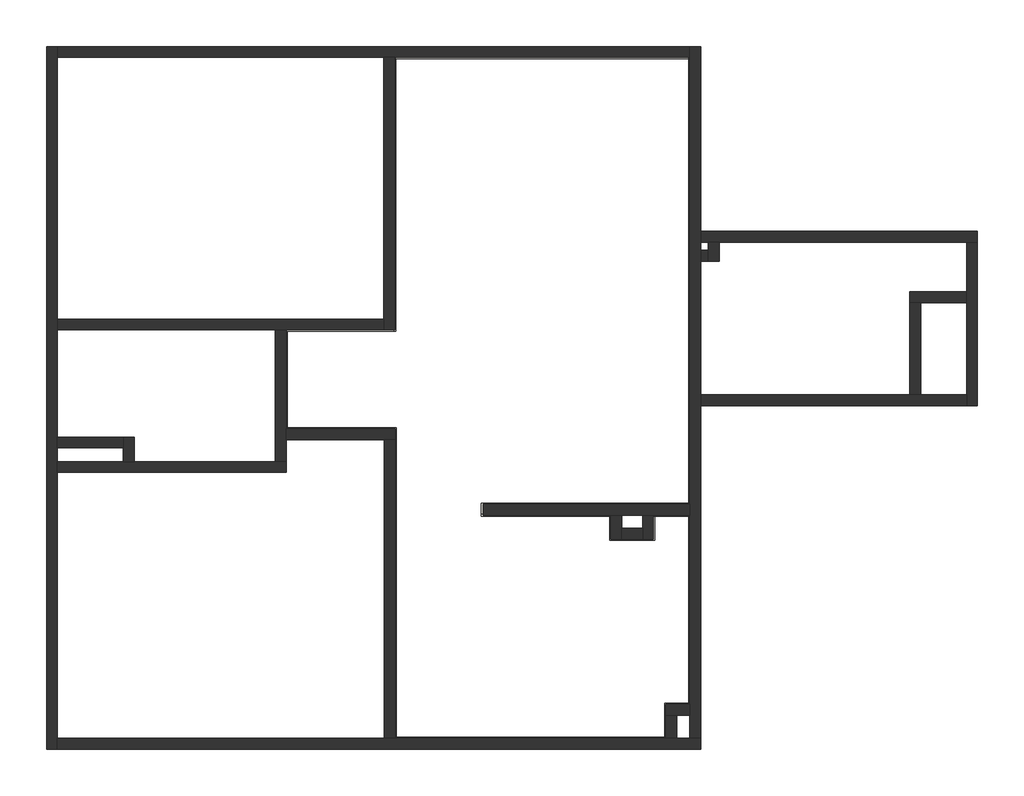
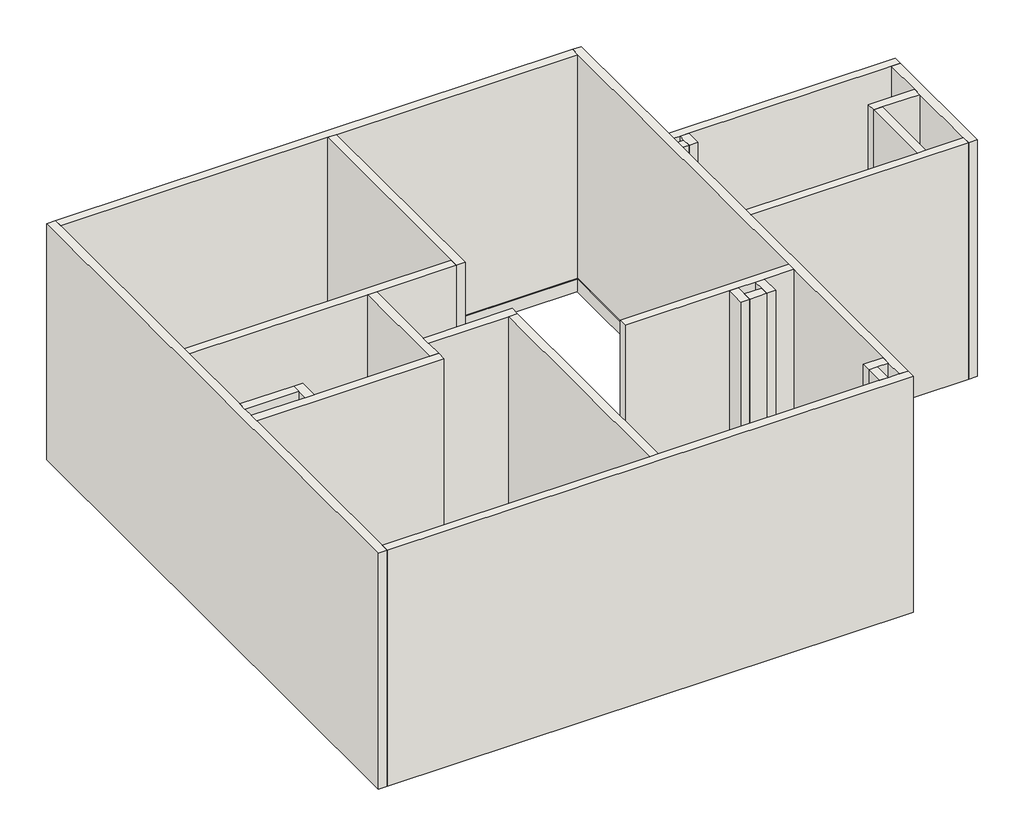
# One storey: 43 walls.
"""IFC4 building model written with IfcOpenShell, lengths in millimetres."""

from ifc_helpers import new_model, si_unit, origin, origin_with_axes, place, context, project, spatial, polyline, outline, extrude, faceted_brep, element, save

model = new_model("IFC4")

# Units and contexts
model_context = context("Model", 3, world=origin())
ifc_project = project(units=[si_unit("LENGTHUNIT", "METRE", prefix="MILLI")], contexts=[model_context])

# Site, building, storey
site = spatial("IfcSite", under=ifc_project)
building = spatial("IfcBuilding", under=site)
storey = spatial("IfcBuildingStorey", under=building, Elevation=0.0)

# Walls
placement = place(None, origin())
element("IfcWall", 1, at=placement, inside=storey, context=model_context, shape_type="Brep", body=[
    faceted_brep([(5700.0438516, 74.9696326, 0.0), (5700.0438516, 387.6384706, 0.0), (5700.0438516, 407.6384706, 0.0), (5700.0438516, 407.6384706, 150.0), (5700.0438516, 387.6384706, 150.0), (5700.0438516, 74.9696326, 150.0), (5680.0438516, 74.9696326, 0.0), (5680.0438516, 74.9696326, 150.0), (5680.0438516, 94.9696326, 150.0), (5680.0438516, 407.6384706, 150.0), (5680.0438516, 407.6384706, 0.0), (5680.0438516, 94.9696326, 0.0)], [[[0, 1, 2, 3, 4, 5]], [[6, 7, 8, 9, 10, 11]], [[2, 1, 0, 6, 11, 10]], [[5, 4, 3, 9, 8, 7]], [[0, 5, 7, 6]], [[3, 2, 10, 9]]]),
])
element("IfcWall", 2, at=placement, inside=storey, context=model_context, shape_type="Brep", body=[
    faceted_brep([(5700.0438516, 387.6384706, 0.0), (5920.6925192, 387.6384706, 0.0), (5920.6925192, 387.6384706, 150.0), (5700.0438516, 387.6384706, 150.0), (5700.0438516, 407.6384706, 0.0), (5700.0438516, 407.6384706, 150.0), (5900.6925192, 407.6384706, 150.0), (5920.6925192, 407.6384706, 150.0), (5920.6925192, 407.6384706, 0.0), (5900.6925192, 407.6384706, 0.0)], [[[0, 1, 2, 3]], [[4, 5, 6, 7, 8, 9]], [[1, 0, 4, 9, 8]], [[3, 2, 7, 6, 5]], [[2, 1, 8, 7]], [[0, 3, 5, 4]]]),
])
element("IfcWall", 3, at=placement, inside=storey, context=model_context, shape_type="Brep", body=[
    faceted_brep([(5920.6925192, 407.6384706, 0.0), (5920.6925192, 2139.7066125, 0.0), (5920.6925192, 2139.7066125, 150.0), (5920.6925192, 407.6384706, 150.0), (5900.6925192, 407.6384706, 0.0), (5900.6925192, 407.6384706, 150.0), (5900.6925192, 2119.7066125, 150.0), (5900.6925192, 2139.7066125, 150.0), (5900.6925192, 2139.7066125, 0.0), (5900.6925192, 2119.7066125, 0.0)], [[[0, 1, 2, 3]], [[4, 5, 6, 7, 8, 9]], [[1, 0, 4, 9, 8]], [[3, 2, 7, 6, 5]], [[2, 1, 8, 7]], [[0, 3, 5, 4]]]),
])
element("IfcWall", 4, at=placement, inside=storey, context=model_context, shape_type="Brep", body=[
    faceted_brep([(5900.6925192, 2139.7066125, 0.0), (5568.7416726, 2139.7066125, 0.0), (5568.7416726, 2139.7066125, 150.0), (5900.6925192, 2139.7066125, 150.0), (5900.6925192, 2119.7066125, 0.0), (5900.6925192, 2119.7066125, 150.0), (5588.7416726, 2119.7066125, 150.0), (5568.7416726, 2119.7066125, 150.0), (5568.7416726, 2119.7066125, 0.0), (5588.7416726, 2119.7066125, 0.0)], [[[0, 1, 2, 3]], [[4, 5, 6, 7, 8, 9]], [[1, 0, 4, 9, 8]], [[3, 2, 7, 6, 5]], [[2, 1, 8, 7]], [[0, 3, 5, 4]]]),
])
element("IfcWall", 5, at=placement, inside=storey, context=model_context, shape_type="Brep", body=[
    faceted_brep([(5568.7416726, 2119.7066125, 0.0), (5568.7416726, 1919.7066125, 0.0), (5568.7416726, 1899.7066125, 0.0), (5568.7416726, 1899.7066125, 150.0), (5568.7416726, 1919.7066125, 150.0), (5568.7416726, 2119.7066125, 150.0), (5588.7416726, 2119.7066125, 0.0), (5588.7416726, 2119.7066125, 150.0), (5588.7416726, 1899.7066125, 150.0), (5588.7416726, 1899.7066125, 0.0)], [[[0, 1, 2, 3, 4, 5]], [[6, 7, 8, 9]], [[2, 1, 0, 6, 9]], [[5, 4, 3, 8, 7]], [[3, 2, 9, 8]], [[0, 5, 7, 6]]]),
])
element("IfcWall", 6, at=placement, inside=storey, context=model_context, shape_type="Brep", body=[
    faceted_brep([(5568.7416726, 1919.7066125, 0.0), (5195.6925192, 1919.7066125, 0.0), (5175.6925192, 1919.7066125, 0.0), (5175.6925192, 1919.7066125, 150.0), (5195.6925192, 1919.7066125, 150.0), (5568.7416726, 1919.7066125, 150.0), (5568.7416726, 1899.7066125, 0.0), (5568.7416726, 1899.7066125, 150.0), (5175.6925192, 1899.7066125, 150.0), (5175.6925192, 1899.7066125, 0.0)], [[[0, 1, 2, 3, 4, 5]], [[6, 7, 8, 9]], [[2, 1, 0, 6, 9]], [[5, 4, 3, 8, 7]], [[3, 2, 9, 8]], [[0, 5, 7, 6]]]),
])
element("IfcWall", 7, at=placement, inside=storey, context=model_context, shape_type="Brep", body=[
    faceted_brep([(5195.6925192, 1919.7066125, 0.0), (5195.6925192, 2139.7066125, 0.0), (5195.6925192, 2139.7066125, 150.0), (5195.6925192, 1919.7066125, 150.0), (5175.6925192, 1919.7066125, 0.0), (5175.6925192, 1919.7066125, 150.0), (5175.6925192, 2119.7066125, 150.0), (5175.6925192, 2139.7066125, 150.0), (5175.6925192, 2139.7066125, 0.0), (5175.6925192, 2119.7066125, 0.0)], [[[0, 1, 2, 3]], [[4, 5, 6, 7, 8, 9]], [[1, 0, 4, 9, 8]], [[3, 2, 7, 6, 5]], [[2, 1, 8, 7]], [[0, 3, 5, 4]]]),
])
element("IfcWall", 8, at=placement, inside=storey, context=model_context, shape_type="Brep", body=[
    faceted_brep([(5175.6925192, 2139.7066125, 0.0), (4017.8666727, 2139.7066125, 0.0), (3997.8666727, 2139.7066125, 0.0), (3997.8666727, 2139.7066125, 150.0), (4017.8666727, 2139.7066125, 150.0), (5175.6925192, 2139.7066125, 150.0), (5175.6925192, 2119.7066125, 0.0), (5175.6925192, 2119.7066125, 150.0), (3997.8666727, 2119.7066125, 150.0), (3997.8666727, 2119.7066125, 0.0)], [[[0, 1, 2, 3, 4, 5]], [[6, 7, 8, 9]], [[2, 1, 0, 6, 9]], [[5, 4, 3, 8, 7]], [[3, 2, 9, 8]], [[0, 5, 7, 6]]]),
])
element("IfcWall", 9, at=placement, inside=storey, context=model_context, shape_type="Brep", body=[
    faceted_brep([(4017.8666727, 2139.7066125, 0.0), (4017.8666727, 2219.7066125, 0.0), (4017.8666727, 2229.7066125, 0.0), (4017.8666727, 2239.7066125, 0.0), (4017.8666727, 2239.7066125, 150.0), (4017.8666727, 2219.7066125, 150.0), (4017.8666727, 2139.7066125, 150.0), (3997.8666727, 2139.7066125, 0.0), (3997.8666727, 2139.7066125, 150.0), (3997.8666727, 2239.7066125, 150.0), (3997.8666727, 2239.7066125, 0.0)], [[[0, 1, 2, 3, 4, 5, 6]], [[7, 8, 9, 10]], [[3, 2, 1, 0, 7, 10]], [[6, 5, 4, 9, 8]], [[4, 3, 10, 9]], [[0, 6, 8, 7]]]),
])
element("IfcWall", 10, at=placement, inside=storey, context=model_context, shape_type="Brep", body=[
    faceted_brep([(4017.8666727, 2219.7066125, 0.0), (5920.6925192, 2219.7066125, 0.0), (5920.6925192, 2219.7066125, 150.0), (4017.8666727, 2219.7066125, 150.0), (4017.8666727, 2239.7066125, 0.0), (4017.8666727, 2239.7066125, 150.0), (5900.6925192, 2239.7066125, 150.0), (5920.6925192, 2239.7066125, 150.0), (5920.6925192, 2239.7066125, 0.0), (5900.6925192, 2239.7066125, 0.0)], [[[0, 1, 2, 3]], [[4, 5, 6, 7, 8, 9]], [[1, 0, 4, 9, 8]], [[3, 2, 7, 6, 5]], [[2, 1, 8, 7]], [[0, 3, 5, 4]]]),
])
element("IfcWall", 11, at=placement, inside=storey, context=model_context, shape_type="Brep", body=[
    faceted_brep([(5920.6925192, 2239.7066125, 0.0), (5920.6925192, 6329.9696326, 0.0), (5920.6925192, 6329.9696326, 150.0), (5920.6925192, 2239.7066125, 150.0), (5900.6925192, 2239.7066125, 0.0), (5900.6925192, 2239.7066125, 150.0), (5900.6925192, 6329.9696326, 150.0), (5900.6925192, 6329.9696326, 0.0), (5910.6925192, 6329.9696326, 0.0)], [[[0, 1, 2, 3]], [[4, 5, 6, 7]], [[1, 0, 4, 7, 8]], [[3, 2, 6, 5]], [[2, 1, 8, 7, 6]], [[0, 3, 5, 4]]]),
])
element("IfcWall", 12, at=placement, inside=storey, context=model_context, shape_type="Brep", body=[
    faceted_brep([(5910.6925192, 6339.9696326, 0.0), (3194.7925174, 6339.9696326, 0.0), (3194.7925174, 6339.9696326, 150.0), (5910.6925192, 6339.9696326, 150.0), (5910.6925192, 6319.9696326, 0.0), (5910.6925192, 6319.9696326, 150.0), (3214.7925174, 6319.9696326, 150.0), (3194.7925174, 6319.9696326, 150.0), (3194.7925174, 6319.9696326, 0.0), (3214.7925174, 6319.9696326, 0.0)], [[[0, 1, 2, 3]], [[4, 5, 6, 7, 8, 9]], [[1, 0, 4, 9, 8]], [[3, 2, 7, 6, 5]], [[2, 1, 8, 7]], [[0, 3, 5, 4]]]),
])
element("IfcWall", 13, at=placement, inside=storey, context=model_context, shape_type="Brep", body=[
    faceted_brep([(3194.7925174, 6319.9696326, 0.0), (3194.7925174, 3839.9696326, 0.0), (3194.7925174, 3819.9696326, 0.0), (3194.7925174, 3819.9696326, 150.0), (3194.7925174, 3839.9696326, 150.0), (3194.7925174, 6319.9696326, 150.0), (3214.7925174, 6319.9696326, 0.0), (3214.7925174, 6319.9696326, 150.0), (3214.7925174, 3819.9696326, 150.0), (3214.7925174, 3819.9696326, 0.0)], [[[0, 1, 2, 3, 4, 5]], [[6, 7, 8, 9]], [[2, 1, 0, 6, 9]], [[5, 4, 3, 8, 7]], [[3, 2, 9, 8]], [[0, 5, 7, 6]]]),
])
element("IfcWall", 14, at=placement, inside=storey, context=model_context, shape_type="Brep", body=[
    faceted_brep([(3194.7925174, 3839.9696326, 0.0), (2200.6925192, 3839.9696326, 0.0), (2200.6925192, 3839.9696326, 150.0), (3194.7925174, 3839.9696326, 150.0), (3194.7925174, 3819.9696326, 0.0), (3194.7925174, 3819.9696326, 150.0), (2220.6925192, 3819.9696326, 150.0), (2200.6925192, 3819.9696326, 150.0), (2200.6925192, 3819.9696326, 0.0), (2220.6925192, 3819.9696326, 0.0)], [[[0, 1, 2, 3]], [[4, 5, 6, 7, 8, 9]], [[1, 0, 4, 9, 8]], [[3, 2, 7, 6, 5]], [[2, 1, 8, 7]], [[0, 3, 5, 4]]]),
])
element("IfcWall", 15, at=placement, inside=storey, context=model_context, shape_type="Brep", body=[
    faceted_brep([(2200.6925192, 3819.9696326, 0.0), (2200.6925192, 2914.1798197, 0.0), (2200.6925192, 2914.1798197, 150.0), (2200.6925192, 3819.9696326, 150.0), (2220.6925192, 3819.9696326, 0.0), (2220.6925192, 3819.9696326, 150.0), (2220.6925192, 2934.1798197, 150.0), (2220.6925192, 2914.1798197, 150.0), (2220.6925192, 2914.1798197, 0.0), (2220.6925192, 2934.1798197, 0.0)], [[[0, 1, 2, 3]], [[4, 5, 6, 7, 8, 9]], [[1, 0, 4, 9, 8]], [[3, 2, 7, 6, 5]], [[2, 1, 8, 7]], [[0, 3, 5, 4]]]),
])
element("IfcWall", 16, at=placement, inside=storey, context=model_context, shape_type="Brep", body=[
    faceted_brep([(2220.6925192, 2914.1798197, 0.0), (3200.6925192, 2914.1798197, 0.0), (3220.6925192, 2914.1798197, 0.0), (3220.6925192, 2914.1798197, 150.0), (3200.6925192, 2914.1798197, 150.0), (2220.6925192, 2914.1798197, 150.0), (2220.6925192, 2934.1798197, 0.0), (2220.6925192, 2934.1798197, 150.0), (3220.6925192, 2934.1798197, 150.0), (3220.6925192, 2934.1798197, 0.0)], [[[0, 1, 2, 3, 4, 5]], [[6, 7, 8, 9]], [[2, 1, 0, 6, 9]], [[5, 4, 3, 8, 7]], [[3, 2, 9, 8]], [[0, 5, 7, 6]]]),
])
element("IfcWall", 17, at=placement, inside=storey, context=model_context, shape_type="Brep", body=[
    faceted_brep([(3200.6925192, 2914.1798197, 0.0), (3200.6925192, 74.9696326, 0.0), (3200.6925192, 74.9696326, 150.0), (3200.6925192, 2914.1798197, 150.0), (3220.6925192, 2914.1798197, 0.0), (3220.6925192, 2914.1798197, 150.0), (3220.6925192, 94.9696326, 150.0), (3220.6925192, 74.9696326, 150.0), (3220.6925192, 74.9696326, 0.0), (3220.6925192, 94.9696326, 0.0)], [[[0, 1, 2, 3]], [[4, 5, 6, 7, 8, 9]], [[1, 0, 4, 9, 8]], [[3, 2, 7, 6, 5]], [[2, 1, 8, 7]], [[0, 3, 5, 4]]]),
])
element("IfcWall", 18, at=placement, inside=storey, context=model_context, shape_type="SweptSolid", body=[
    extrude(outline(polyline([(5680.0438516, 74.9696326), (3220.6925192, 74.9696326), (3220.6925192, 94.9696326), (5680.0438516, 94.9696326), (5680.0438516, 74.9696326)])), origin_with_axes(), (0.0, 0.0, 1.0), 150.0),
])
element("IfcWall", 19, ObjectType="10 cm", at=placement, inside=storey, context=model_context, shape_type="Brep", body=[
    faceted_brep([(10.6925192, 6429.9696326, 0.0), (10.6925192, -15.0303674, 0.0), (10.6925192, -15.0303674, 2800.0), (10.6925192, 6429.9696326, 2800.0), (110.6925192, 6429.9696326, 0.0), (110.6925192, 6429.9696326, 2800.0), (110.6925192, 6329.9696326, 2800.0), (110.6925192, 3929.9696326, 2800.0), (110.6925192, 3829.9696326, 2800.0), (110.6925192, 2847.9598038, 2800.0), (110.6925192, 2747.9598038, 2800.0), (110.6925192, 2622.9598038, 2800.0), (110.6925192, 2522.9598038, 2800.0), (110.6925192, 84.9696326, 2800.0), (110.6925192, -15.0303674, 2800.0), (110.6925192, -15.0303674, 0.0), (110.6925192, 84.9696326, 0.0), (110.6925192, 2522.9598038, 0.0), (110.6925192, 2622.9598038, 0.0), (110.6925192, 2747.9598038, 0.0), (110.6925192, 2847.9598038, 0.0), (110.6925192, 3829.9696326, 0.0), (110.6925192, 3929.9696326, 0.0), (110.6925192, 6329.9696326, 0.0)], [[[0, 1, 2, 3]], [[4, 5, 6, 7, 8, 9, 10, 11, 12, 13, 14, 15, 16, 17, 18, 19, 20, 21, 22, 23]], [[1, 0, 4, 23, 22, 21, 20, 19, 18, 17, 16, 15]], [[3, 2, 14, 13, 12, 11, 10, 9, 8, 7, 6, 5]], [[0, 3, 5, 4]], [[2, 1, 15, 14]]]),
])
element("IfcWall", 20, ObjectType="10 cm", at=placement, inside=storey, context=model_context, shape_type="Brep", body=[
    faceted_brep([(110.6925192, -15.0303674, 0.0), (6010.6925192, -15.0303674, 0.0), (6010.6925192, -15.0303674, 2800.0), (110.6925192, -15.0303674, 2800.0), (110.6925192, 84.9696326, 0.0), (110.6925192, 84.9696326, 2800.0), (3110.6925192, 84.9696326, 2800.0), (3210.6925192, 84.9696326, 2800.0), (5690.0438516, 84.9696326, 2800.0), (5790.0438516, 84.9696326, 2800.0), (5910.6925192, 84.9696326, 2800.0), (6010.6925192, 84.9696326, 2800.0), (6010.6925192, 84.9696326, 0.0), (5910.6925192, 84.9696326, 0.0), (5790.0438516, 84.9696326, 0.0), (5690.0438516, 84.9696326, 0.0), (3210.6925192, 84.9696326, 0.0), (3110.6925192, 84.9696326, 0.0)], [[[0, 1, 2, 3]], [[4, 5, 6, 7, 8, 9, 10, 11, 12, 13, 14, 15, 16, 17]], [[1, 0, 4, 17, 16, 15, 14, 13, 12]], [[3, 2, 11, 10, 9, 8, 7, 6, 5]], [[2, 1, 12, 11]], [[0, 3, 5, 4]]]),
])
element("IfcWall", 21, ObjectType="10 cm", at=placement, inside=storey, context=model_context, shape_type="Brep", body=[
    faceted_brep([(6010.6925192, 84.9696326, 0.0), (6010.6925192, 3136.7308577, 0.0), (6010.6925192, 3236.7308577, 0.0), (6010.6925192, 4461.7308577, 0.0), (6010.6925192, 4561.7308577, 0.0), (6010.6925192, 4636.7308577, 0.0), (6010.6925192, 4736.7308577, 0.0), (6010.6925192, 6429.9696326, 0.0), (6010.6925192, 6429.9696326, 2800.0), (6010.6925192, 4736.7308577, 2800.0), (6010.6925192, 4636.7308577, 2800.0), (6010.6925192, 4561.7308577, 2800.0), (6010.6925192, 4461.7308577, 2800.0), (6010.6925192, 3236.7308577, 2800.0), (6010.6925192, 3136.7308577, 2800.0), (6010.6925192, 84.9696326, 2800.0), (5910.6925192, 84.9696326, 0.0), (5910.6925192, 84.9696326, 2800.0), (5910.6925192, 297.6384706, 2800.0), (5910.6925192, 397.6384706, 2800.0), (5910.6925192, 2129.7066125, 2800.0), (5910.6925192, 2229.7066125, 2800.0), (5910.6925192, 6329.9696326, 2800.0), (5910.6925192, 6429.9696326, 2800.0), (5910.6925192, 6429.9696326, 0.0), (5910.6925192, 6339.9696326, 0.0), (5910.6925192, 6329.9696326, 0.0), (5910.6925192, 6319.9696326, 0.0), (5910.6925192, 2229.7066125, 0.0), (5910.6925192, 2129.7066125, 0.0), (5910.6925192, 397.6384706, 0.0), (5910.6925192, 297.6384706, 0.0)], [[[0, 1, 2, 3, 4, 5, 6, 7, 8, 9, 10, 11, 12, 13, 14, 15]], [[16, 17, 18, 19, 20, 21, 22, 23, 24, 25, 26, 27, 28, 29, 30, 31]], [[7, 6, 5, 4, 3, 2, 1, 0, 16, 31, 30, 29, 28, 27, 26, 25, 24]], [[15, 14, 13, 12, 11, 10, 9, 8, 23, 22, 21, 20, 19, 18, 17]], [[0, 15, 17, 16]], [[7, 24, 23, 8]]]),
])
element("IfcWall", 22, ObjectType="10 cm", at=placement, inside=storey, context=model_context, shape_type="Brep", body=[
    faceted_brep([(5910.6925192, 6429.9696326, 2800.0), (5910.6925192, 6429.9696326, 0.0), (110.6925192, 6429.9696326, 0.0), (110.6925192, 6429.9696326, 2800.0), (5910.6925192, 6329.9696326, 0.0), (5910.6925192, 6329.9696326, 2800.0), (3204.7925174, 6329.9696326, 2800.0), (3104.7925174, 6329.9696326, 2800.0), (110.6925192, 6329.9696326, 2800.0), (110.6925192, 6329.9696326, 0.0), (3104.7925174, 6329.9696326, 0.0), (3204.7925174, 6329.9696326, 0.0), (5900.6925192, 6329.9696326, 0.0)], [[[0, 1, 2, 3]], [[4, 5, 6, 7, 8, 9, 10, 11, 12]], [[2, 1, 4, 12, 11, 10, 9]], [[0, 3, 8, 7, 6, 5]], [[3, 2, 9, 8]], [[0, 5, 4, 1]]]),
])
element("IfcWall", 23, ObjectType="10 cm", at=placement, inside=storey, context=model_context, shape_type="Brep", body=[
    faceted_brep([(3104.7925174, 6329.9696326, 2800.0), (3104.7925174, 6329.9696326, 0.0), (3104.7925174, 3929.9696326, 0.0), (3104.7925174, 3829.9696326, 0.0), (3104.7925174, 3829.9696326, 2800.0), (3104.7925174, 3929.9696326, 2800.0), (3204.7925174, 6329.9696326, 0.0), (3204.7925174, 6329.9696326, 2800.0), (3204.7925174, 3829.9696326, 2800.0), (3204.7925174, 3829.9696326, 0.0)], [[[0, 1, 2, 3, 4, 5]], [[6, 7, 8, 9]], [[3, 2, 1, 6, 9]], [[0, 5, 4, 8, 7]], [[4, 3, 9, 8]], [[0, 7, 6, 1]]]),
])
element("IfcWall", 24, ObjectType="10 cm", at=placement, inside=storey, context=model_context, shape_type="Brep", body=[
    faceted_brep([(3104.7925174, 3929.9696326, 0.0), (110.6925192, 3929.9696326, 0.0), (110.6925192, 3929.9696326, 2800.0), (3104.7925174, 3929.9696326, 2800.0), (3104.7925174, 3829.9696326, 0.0), (3104.7925174, 3829.9696326, 2800.0), (2210.6925192, 3829.9696326, 2800.0), (2110.6925192, 3829.9696326, 2800.0), (110.6925192, 3829.9696326, 2800.0), (110.6925192, 3829.9696326, 0.0), (2110.6925192, 3829.9696326, 0.0), (2210.6925192, 3829.9696326, 0.0)], [[[0, 1, 2, 3]], [[4, 5, 6, 7, 8, 9, 10, 11]], [[1, 0, 4, 11, 10, 9]], [[3, 2, 8, 7, 6, 5]], [[0, 3, 5, 4]], [[2, 1, 9, 8]]]),
])
element("IfcWall", 25, ObjectType="10 cm", at=placement, inside=storey, context=model_context, shape_type="Brep", body=[
    faceted_brep([(110.6925192, 2522.9598038, 0.0), (2210.6925192, 2522.9598038, 0.0), (2210.6925192, 2522.9598038, 2800.0), (110.6925192, 2522.9598038, 2800.0), (110.6925192, 2622.9598038, 0.0), (110.6925192, 2622.9598038, 2800.0), (715.6925192, 2622.9598038, 2800.0), (815.6925192, 2622.9598038, 2800.0), (2110.6925192, 2622.9598038, 2800.0), (2210.6925192, 2622.9598038, 2800.0), (2210.6925192, 2622.9598038, 0.0), (2110.6925192, 2622.9598038, 0.0), (815.6925192, 2622.9598038, 0.0), (715.6925192, 2622.9598038, 0.0)], [[[0, 1, 2, 3]], [[4, 5, 6, 7, 8, 9, 10, 11, 12, 13]], [[1, 0, 4, 13, 12, 11, 10]], [[3, 2, 9, 8, 7, 6, 5]], [[2, 1, 10, 9]], [[0, 3, 5, 4]]]),
])
element("IfcWall", 26, ObjectType="10 cm", at=placement, inside=storey, context=model_context, shape_type="Brep", body=[
    faceted_brep([(2210.6925192, 2622.9598038, 0.0), (2210.6925192, 2824.1798197, 0.0), (2210.6925192, 2924.1798197, 0.0), (2210.6925192, 3829.9696326, 0.0), (2210.6925192, 3829.9696326, 2800.0), (2210.6925192, 2924.1798197, 2800.0), (2210.6925192, 2824.1798197, 2800.0), (2210.6925192, 2622.9598038, 2800.0), (2110.6925192, 2622.9598038, 0.0), (2110.6925192, 2622.9598038, 2800.0), (2110.6925192, 3829.9696326, 2800.0), (2110.6925192, 3829.9696326, 0.0)], [[[0, 1, 2, 3, 4, 5, 6, 7]], [[8, 9, 10, 11]], [[3, 2, 1, 0, 8, 11]], [[7, 6, 5, 4, 10, 9]], [[0, 7, 9, 8]], [[3, 11, 10, 4]]]),
])
element("IfcWall", 27, ObjectType="10 cm", at=placement, inside=storey, context=model_context, shape_type="Brep", body=[
    faceted_brep([(2210.6925192, 2824.1798197, 2800.0), (2210.6925192, 2824.1798197, 0.0), (3110.6925192, 2824.1798197, 0.0), (3210.6925192, 2824.1798197, 0.0), (3210.6925192, 2824.1798197, 2800.0), (3110.6925192, 2824.1798197, 2800.0), (2210.6925192, 2924.1798197, 0.0), (2210.6925192, 2924.1798197, 2800.0), (3210.6925192, 2924.1798197, 2800.0), (3210.6925192, 2924.1798197, 0.0)], [[[0, 1, 2, 3, 4, 5]], [[6, 7, 8, 9]], [[3, 2, 1, 6, 9]], [[0, 5, 4, 8, 7]], [[4, 3, 9, 8]], [[0, 7, 6, 1]]]),
])
element("IfcWall", 28, ObjectType="10 cm", at=placement, inside=storey, context=model_context, shape_type="SweptSolid", body=[
    extrude(outline(polyline([(3110.6925192, 84.9696326), (3110.6925192, 2824.1798197), (3210.6925192, 2824.1798197), (3210.6925192, 84.9696326), (3110.6925192, 84.9696326)])), origin_with_axes(), (0.0, 0.0, 1.0), 2800.0),
])
element("IfcWall", 29, ObjectType="10 cm", at=placement, inside=storey, context=model_context, shape_type="Brep", body=[
    faceted_brep([(4017.8666727, 2129.7066125, 0.0), (5185.6925192, 2129.7066125, 0.0), (5285.6925192, 2129.7066125, 0.0), (5478.7416726, 2129.7066125, 0.0), (5578.7416726, 2129.7066125, 0.0), (5910.6925192, 2129.7066125, 0.0), (5910.6925192, 2129.7066125, 2800.0), (5578.7416726, 2129.7066125, 2800.0), (5478.7416726, 2129.7066125, 2800.0), (5285.6925192, 2129.7066125, 2800.0), (5185.6925192, 2129.7066125, 2800.0), (4017.8666727, 2129.7066125, 2800.0), (4017.8666727, 2229.7066125, 0.0), (4017.8666727, 2229.7066125, 2800.0), (5910.6925192, 2229.7066125, 2800.0), (5910.6925192, 2229.7066125, 0.0), (4017.8666727, 2139.7066125, 0.0)], [[[0, 1, 2, 3, 4, 5, 6, 7, 8, 9, 10, 11]], [[12, 13, 14, 15]], [[5, 4, 3, 2, 1, 0, 16, 12, 15]], [[11, 10, 9, 8, 7, 6, 14, 13]], [[5, 15, 14, 6]], [[0, 11, 13, 12, 16]]]),
])
element("IfcWall", 30, ObjectType="10 cm", at=placement, inside=storey, context=model_context, shape_type="Brep", body=[
    faceted_brep([(5185.6925192, 2129.7066125, 2800.0), (5185.6925192, 2129.7066125, 0.0), (5185.6925192, 1909.7066125, 0.0), (5185.6925192, 1909.7066125, 2800.0), (5285.6925192, 2129.7066125, 0.0), (5285.6925192, 2129.7066125, 2800.0), (5285.6925192, 2009.7066125, 2800.0), (5285.6925192, 1909.7066125, 2800.0), (5285.6925192, 1909.7066125, 0.0), (5285.6925192, 2009.7066125, 0.0)], [[[0, 1, 2, 3]], [[4, 5, 6, 7, 8, 9]], [[2, 1, 4, 9, 8]], [[0, 3, 7, 6, 5]], [[3, 2, 8, 7]], [[0, 5, 4, 1]]]),
])
element("IfcWall", 31, ObjectType="10 cm", at=placement, inside=storey, context=model_context, shape_type="SweptSolid", body=[
    extrude(outline(polyline([(5478.7416726, 1909.7066125), (5285.6925192, 1909.7066125), (5285.6925192, 2009.7066125), (5478.7416726, 2009.7066125), (5478.7416726, 1909.7066125)])), origin_with_axes(), (0.0, 0.0, 1.0), 2800.0),
])
element("IfcWall", 32, ObjectType="10 cm", at=placement, inside=storey, context=model_context, shape_type="Brep", body=[
    faceted_brep([(5578.7416726, 1909.7066125, 0.0), (5578.7416726, 2129.7066125, 0.0), (5578.7416726, 2129.7066125, 2800.0), (5578.7416726, 1909.7066125, 2800.0), (5478.7416726, 1909.7066125, 0.0), (5478.7416726, 1909.7066125, 2800.0), (5478.7416726, 2009.7066125, 2800.0), (5478.7416726, 2129.7066125, 2800.0), (5478.7416726, 2129.7066125, 0.0), (5478.7416726, 2009.7066125, 0.0)], [[[0, 1, 2, 3]], [[4, 5, 6, 7, 8, 9]], [[1, 0, 4, 9, 8]], [[3, 2, 7, 6, 5]], [[0, 3, 5, 4]], [[1, 8, 7, 2]]]),
])
element("IfcWall", 33, ObjectType="10 cm", at=placement, inside=storey, context=model_context, shape_type="Brep", body=[
    faceted_brep([(6010.6925192, 4636.7308577, 0.0), (6080.6925192, 4636.7308577, 0.0), (6180.6925192, 4636.7308577, 0.0), (8450.6925192, 4636.7308577, 0.0), (8550.6925192, 4636.7308577, 0.0), (8550.6925192, 4636.7308577, 2800.0), (8450.6925192, 4636.7308577, 2800.0), (6180.6925192, 4636.7308577, 2800.0), (6080.6925192, 4636.7308577, 2800.0), (6010.6925192, 4636.7308577, 2800.0), (6010.6925192, 4736.7308577, 0.0), (6010.6925192, 4736.7308577, 2800.0), (8550.6925192, 4736.7308577, 2800.0), (8550.6925192, 4736.7308577, 0.0)], [[[0, 1, 2, 3, 4, 5, 6, 7, 8, 9]], [[10, 11, 12, 13]], [[4, 3, 2, 1, 0, 10, 13]], [[9, 8, 7, 6, 5, 12, 11]], [[5, 4, 13, 12]], [[0, 9, 11, 10]]]),
])
element("IfcWall", 34, ObjectType="10 cm", at=placement, inside=storey, context=model_context, shape_type="Brep", body=[
    faceted_brep([(8450.6925192, 4636.7308577, 0.0), (8450.6925192, 4181.7308577, 0.0), (8450.6925192, 4081.7308577, 0.0), (8450.6925192, 3236.7308577, 0.0), (8450.6925192, 3136.7308577, 0.0), (8450.6925192, 3136.7308577, 2800.0), (8450.6925192, 3236.7308577, 2800.0), (8450.6925192, 4081.7308577, 2800.0), (8450.6925192, 4181.7308577, 2800.0), (8450.6925192, 4636.7308577, 2800.0), (8550.6925192, 4636.7308577, 0.0), (8550.6925192, 4636.7308577, 2800.0), (8550.6925192, 3136.7308577, 2800.0), (8550.6925192, 3136.7308577, 0.0)], [[[0, 1, 2, 3, 4, 5, 6, 7, 8, 9]], [[10, 11, 12, 13]], [[4, 3, 2, 1, 0, 10, 13]], [[9, 8, 7, 6, 5, 12, 11]], [[5, 4, 13, 12]], [[0, 9, 11, 10]]]),
])
element("IfcWall", 35, ObjectType="10 cm", at=placement, inside=storey, context=model_context, shape_type="Brep", body=[
    faceted_brep([(8450.6925192, 3236.7308577, 0.0), (8030.6925192, 3236.7308577, 0.0), (7930.6925192, 3236.7308577, 0.0), (6010.6925192, 3236.7308577, 0.0), (6010.6925192, 3236.7308577, 2800.0), (7930.6925192, 3236.7308577, 2800.0), (8030.6925192, 3236.7308577, 2800.0), (8450.6925192, 3236.7308577, 2800.0), (8450.6925192, 3136.7308577, 0.0), (8450.6925192, 3136.7308577, 2800.0), (6010.6925192, 3136.7308577, 2800.0), (6010.6925192, 3136.7308577, 0.0)], [[[0, 1, 2, 3, 4, 5, 6, 7]], [[8, 9, 10, 11]], [[3, 2, 1, 0, 8, 11]], [[7, 6, 5, 4, 10, 9]], [[0, 7, 9, 8]], [[4, 3, 11, 10]]]),
])
element("IfcWall", 36, ObjectType="10 cm", at=placement, inside=storey, context=model_context, shape_type="Brep", body=[
    faceted_brep([(6080.6925192, 4636.7308577, 0.0), (6080.6925192, 4561.7308577, 0.0), (6080.6925192, 4461.7308577, 0.0), (6080.6925192, 4461.7308577, 2800.0), (6080.6925192, 4561.7308577, 2800.0), (6080.6925192, 4636.7308577, 2800.0), (6180.6925192, 4636.7308577, 0.0), (6180.6925192, 4636.7308577, 2800.0), (6180.6925192, 4461.7308577, 2800.0), (6180.6925192, 4461.7308577, 0.0)], [[[0, 1, 2, 3, 4, 5]], [[6, 7, 8, 9]], [[2, 1, 0, 6, 9]], [[5, 4, 3, 8, 7]], [[3, 2, 9, 8]], [[0, 5, 7, 6]]]),
])
element("IfcWall", 37, ObjectType="10 cm", at=placement, inside=storey, context=model_context, shape_type="SweptSolid", body=[
    extrude(outline(polyline([(6010.6925192, 4561.7308577), (6080.6925192, 4561.7308577), (6080.6925192, 4461.7308577), (6010.6925192, 4461.7308577), (6010.6925192, 4561.7308577)])), origin_with_axes(), (0.0, 0.0, 1.0), 2800.0),
])
element("IfcWall", 38, ObjectType="10 cm", at=placement, inside=storey, context=model_context, shape_type="Brep", body=[
    faceted_brep([(8450.6925192, 4181.7308577, 0.0), (7930.6925192, 4181.7308577, 0.0), (7930.6925192, 4181.7308577, 2800.0), (8450.6925192, 4181.7308577, 2800.0), (8450.6925192, 4081.7308577, 0.0), (8450.6925192, 4081.7308577, 2800.0), (8030.6925192, 4081.7308577, 2800.0), (7930.6925192, 4081.7308577, 2800.0), (7930.6925192, 4081.7308577, 0.0), (8030.6925192, 4081.7308577, 0.0)], [[[0, 1, 2, 3]], [[4, 5, 6, 7, 8, 9]], [[1, 0, 4, 9, 8]], [[3, 2, 7, 6, 5]], [[2, 1, 8, 7]], [[0, 3, 5, 4]]]),
])
element("IfcWall", 39, ObjectType="10 cm", at=placement, inside=storey, context=model_context, shape_type="SweptSolid", body=[
    extrude(outline(polyline([(7930.6925192, 3236.7308577), (7930.6925192, 4081.7308577), (8030.6925192, 4081.7308577), (8030.6925192, 3236.7308577), (7930.6925192, 3236.7308577)])), origin_with_axes(), (0.0, 0.0, 1.0), 2800.0),
])
element("IfcWall", 40, ObjectType="10 cm", at=placement, inside=storey, context=model_context, shape_type="SweptSolid", body=[
    extrude(outline(polyline([(715.6925192, 2747.9598038), (110.6925192, 2747.9598038), (110.6925192, 2847.9598038), (715.6925192, 2847.9598038), (715.6925192, 2747.9598038)])), origin_with_axes(), (0.0, 0.0, 1.0), 2800.0),
])
element("IfcWall", 41, ObjectType="10 cm", at=placement, inside=storey, context=model_context, shape_type="Brep", body=[
    faceted_brep([(715.6925192, 2847.9598038, 0.0), (715.6925192, 2747.9598038, 0.0), (715.6925192, 2622.9598038, 0.0), (715.6925192, 2622.9598038, 2800.0), (715.6925192, 2747.9598038, 2800.0), (715.6925192, 2847.9598038, 2800.0), (815.6925192, 2847.9598038, 0.0), (815.6925192, 2847.9598038, 2800.0), (815.6925192, 2622.9598038, 2800.0), (815.6925192, 2622.9598038, 0.0)], [[[0, 1, 2, 3, 4, 5]], [[6, 7, 8, 9]], [[2, 1, 0, 6, 9]], [[5, 4, 3, 8, 7]], [[0, 5, 7, 6]], [[3, 2, 9, 8]]]),
])
element("IfcWall", 42, ObjectType="10 cm", at=placement, inside=storey, context=model_context, shape_type="Brep", body=[
    faceted_brep([(5910.6925192, 397.6384706, 2800.0), (5910.6925192, 397.6384706, 0.0), (5690.0438516, 397.6384706, 0.0), (5690.0438516, 397.6384706, 2800.0), (5910.6925192, 297.6384706, 0.0), (5910.6925192, 297.6384706, 2800.0), (5790.0438516, 297.6384706, 2800.0), (5690.0438516, 297.6384706, 2800.0), (5690.0438516, 297.6384706, 0.0), (5790.0438516, 297.6384706, 0.0)], [[[0, 1, 2, 3]], [[4, 5, 6, 7, 8, 9]], [[2, 1, 4, 9, 8]], [[0, 3, 7, 6, 5]], [[3, 2, 8, 7]], [[0, 5, 4, 1]]]),
])
element("IfcWall", 43, ObjectType="10 cm", at=placement, inside=storey, context=model_context, shape_type="SweptSolid", body=[
    extrude(outline(polyline([(5690.0438516, 84.9696326), (5690.0438516, 297.6384706), (5790.0438516, 297.6384706), (5790.0438516, 84.9696326), (5690.0438516, 84.9696326)])), origin_with_axes(), (0.0, 0.0, 1.0), 2800.0),
])

save(model, "model.ifc")
